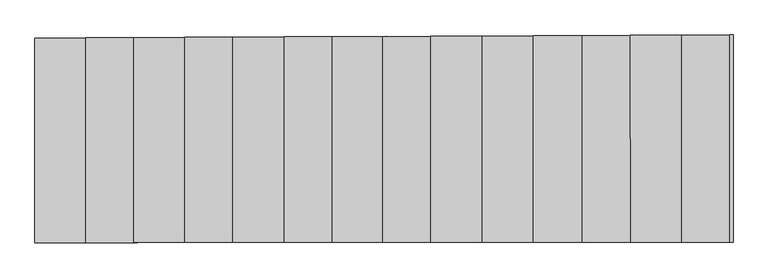
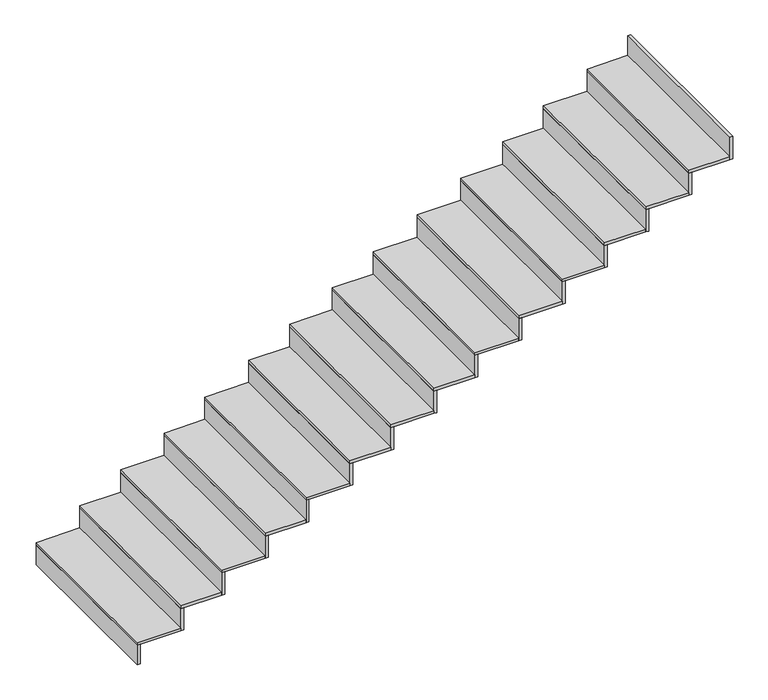
"""IFC4 building model written with IfcOpenShell, lengths in millimetres: stair flight geometry."""

from ifc_helpers import new_model, si_unit, frame, origin, place, context, project, spatial, polyline, outline, extrude, source, transform, mapped, element, save


def stair_flight_c5622b88(model_context):
    return source(origin(), model_context, "Body", "SweptSolid", [
        extrude(outline(polyline([(-5183.5370212, 644.2058226), (-5203.5370212, 644.1912211), (-5203.5370212, 1837.7119691), (-5183.5370212, 1837.8009765), (-5183.5370212, 644.2058226)])), frame((0.0, 0.0, -2406.5), z_axis=(0.0, 0.0, 1.0), x_axis=(1.0, 0.0, 0.0)), (0.0, 0.0, 1.0), 140.8530746),
        extrude(outline(polyline([(-4905.6411722, 1839.0377149), (-4905.6411722, 644.408708), (-5203.5370212, 644.1912211), (-5203.5370212, 1837.7119691), (-4905.6411722, 1839.0377149)])), frame((0.0, 0.0, -2265.6469254), z_axis=(0.0, 0.0, 1.0), x_axis=(1.0, 0.0, 0.0)), (0.0, 0.0, 1.0), 20.0),
        extrude(outline(polyline([(-4885.6411722, 644.4233095), (-4905.6411722, 644.408708), (-4905.6411722, 1839.0377149), (-4885.6411722, 1839.1267222), (-4885.6411722, 644.4233095)])), frame((0.0, 0.0, -2265.6469254), z_axis=(0.0, 0.0, 1.0), x_axis=(1.0, 0.0, 0.0)), (0.0, 0.0, 1.0), 160.8530746),
        extrude(outline(polyline([(-4625.6411722, 1840.2838175), (-4625.6411722, 644.6131296), (-4905.6411722, 644.408708), (-4905.6411722, 1839.0377149), (-4625.6411722, 1840.2838175)])), frame((0.0, 0.0, -2104.7938508), z_axis=(0.0, 0.0, 1.0), x_axis=(1.0, 0.0, 0.0)), (0.0, 0.0, 1.0), 20.0),
        extrude(outline(polyline([(-4605.6411722, 644.6277311), (-4625.6411722, 644.6131296), (-4625.6411722, 1840.2838175), (-4605.6411722, 1840.3728249), (-4605.6411722, 644.6277311)])), frame((0.0, 0.0, -2104.7938508), z_axis=(0.0, 0.0, 1.0), x_axis=(1.0, 0.0, 0.0)), (0.0, 0.0, 1.0), 160.8530746),
        extrude(outline(polyline([(-4328.6763658, 1841.6054198), (-4328.6763658, 644.8299368), (-4625.6411722, 644.6131296), (-4625.6411722, 1840.2838175), (-4328.6763658, 1841.6054198)])), frame((0.0, 0.0, -1943.9407762), z_axis=(0.0, 0.0, 1.0), x_axis=(1.0, 0.0, 0.0)), (0.0, 0.0, 1.0), 20.0),
        extrude(outline(polyline([(-4308.6763658, 644.8445383), (-4328.6763658, 644.8299368), (-4328.6763658, 1841.6054198), (-4308.6763658, 1841.6944271), (-4308.6763658, 644.8445383)])), frame((0.0, 0.0, -1943.9407762), z_axis=(0.0, 0.0, 1.0), x_axis=(1.0, 0.0, 0.0)), (0.0, 0.0, 1.0), 160.8530746),
        extrude(outline(polyline([(-4048.6763658, 1842.8515224), (-4048.6763658, 645.0343583), (-4328.6763658, 644.8299368), (-4328.6763658, 1841.6054198), (-4048.6763658, 1842.8515224)])), frame((0.0, 0.0, -1783.0877016), z_axis=(0.0, 0.0, 1.0), x_axis=(1.0, 0.0, 0.0)), (0.0, 0.0, 1.0), 20.0),
        extrude(outline(polyline([(-4028.6763658, 645.0489599), (-4048.6763658, 645.0343583), (-4048.6763658, 1842.8515224), (-4028.6763658, 1842.9405298), (-4028.6763658, 645.0489599)])), frame((0.0, 0.0, -1783.0877016), z_axis=(0.0, 0.0, 1.0), x_axis=(1.0, 0.0, 0.0)), (0.0, 0.0, 1.0), 160.8530746),
        extrude(outline(polyline([(-3748.6763658, 1844.1866324), (-3748.6763658, 645.2533814), (-4048.6763658, 645.0343583), (-4048.6763658, 1842.8515224), (-3748.6763658, 1844.1866324)])), frame((0.0, 0.0, -1622.234627), z_axis=(0.0, 0.0, 1.0), x_axis=(1.0, 0.0, 0.0)), (0.0, 0.0, 1.0), 20.0),
        extrude(outline(polyline([(-3728.6763658, 645.267983), (-3748.6763658, 645.2533814), (-3748.6763658, 1844.1866324), (-3728.6763658, 1844.2756398), (-3728.6763658, 645.267983)])), frame((0.0, 0.0, -1622.234627), z_axis=(0.0, 0.0, 1.0), x_axis=(1.0, 0.0, 0.0)), (0.0, 0.0, 1.0), 160.8530746),
        extrude(outline(polyline([(-3468.6763658, 1845.4327351), (-3468.6763658, 645.457803), (-3748.6763658, 645.2533814), (-3748.6763658, 1844.1866324), (-3468.6763658, 1845.4327351)])), frame((0.0, 0.0, -1461.3815524), z_axis=(0.0, 0.0, 1.0), x_axis=(1.0, 0.0, 0.0)), (0.0, 0.0, 1.0), 20.0),
        extrude(outline(polyline([(-3448.6763658, 645.4724045), (-3468.6763658, 645.457803), (-3468.6763658, 1845.4327351), (-3448.6763658, 1845.5217424), (-3448.6763658, 645.4724045)])), frame((0.0, 0.0, -1461.3815524), z_axis=(0.0, 0.0, 1.0), x_axis=(1.0, 0.0, 0.0)), (0.0, 0.0, 1.0), 160.8530746),
        extrude(outline(polyline([(-3174.3270749, 1846.7426973), (-3174.3270749, 645.6727007), (-3468.6763658, 645.457803), (-3468.6763658, 1845.4327351), (-3174.3270749, 1846.7426973)])), frame((0.0, 0.0, -1300.5284778), z_axis=(0.0, 0.0, 1.0), x_axis=(1.0, 0.0, 0.0)), (0.0, 0.0, 1.0), 20.0),
        extrude(outline(polyline([(-3154.3270749, 645.6873022), (-3174.3270749, 645.6727007), (-3174.3270749, 1846.7426973), (-3154.3270749, 1846.8317047), (-3154.3270749, 645.6873022)])), frame((0.0, 0.0, -1300.5284778), z_axis=(0.0, 0.0, 1.0), x_axis=(1.0, 0.0, 0.0)), (0.0, 0.0, 1.0), 160.8530746),
        extrude(outline(polyline([(-2894.3270749, 1847.9888), (-2894.3270749, 645.8771222), (-3174.3270749, 645.6727007), (-3174.3270749, 1846.7426973), (-2894.3270749, 1847.9888)])), frame((0.0, 0.0, -1139.6754032), z_axis=(0.0, 0.0, 1.0), x_axis=(1.0, 0.0, 0.0)), (0.0, 0.0, 1.0), 20.0),
        extrude(outline(polyline([(-2874.3270749, 645.8917238), (-2894.3270749, 645.8771222), (-2894.3270749, 1847.9888), (-2874.3270749, 1848.0778073), (-2874.3270749, 645.8917238)])), frame((0.0, 0.0, -1139.6754032), z_axis=(0.0, 0.0, 1.0), x_axis=(1.0, 0.0, 0.0)), (0.0, 0.0, 1.0), 160.8530746),
        extrude(outline(polyline([(-2594.3270749, 1849.32391), (-2594.3270749, 646.0961453), (-2894.3270749, 645.8771222), (-2894.3270749, 1847.9888), (-2594.3270749, 1849.32391)])), frame((0.0, 0.0, -978.8223286), z_axis=(0.0, 0.0, 1.0), x_axis=(1.0, 0.0, 0.0)), (0.0, 0.0, 1.0), 20.0),
        extrude(outline(polyline([(-2574.3270749, 646.1107469), (-2594.3270749, 646.0961453), (-2594.3270749, 1849.32391), (-2574.3270749, 1849.4129173), (-2574.3270749, 646.1107469)])), frame((0.0, 0.0, -978.8223286), z_axis=(0.0, 0.0, 1.0), x_axis=(1.0, 0.0, 0.0)), (0.0, 0.0, 1.0), 160.8530746),
        extrude(outline(polyline([(-2294.3270749, 1850.6590199), (-2294.3270749, 646.3151684), (-2594.3270749, 646.0961453), (-2594.3270749, 1849.32391), (-2294.3270749, 1850.6590199)])), frame((0.0, 0.0, -817.9692541), z_axis=(0.0, 0.0, 1.0), x_axis=(1.0, 0.0, 0.0)), (0.0, 0.0, 1.0), 20.0),
        extrude(outline(polyline([(-2274.3270749, 646.32977), (-2294.3270749, 646.3151684), (-2294.3270749, 1850.6590199), (-2274.3270749, 1850.7480273), (-2274.3270749, 646.32977)])), frame((0.0, 0.0, -817.9692541), z_axis=(0.0, 0.0, 1.0), x_axis=(1.0, 0.0, 0.0)), (0.0, 0.0, 1.0), 160.8530746),
        extrude(outline(polyline([(-2008.437645, 1851.9313327), (-2008.437645, 646.5238897), (-2294.3270749, 646.3151684), (-2294.3270749, 1850.6590199), (-2008.437645, 1851.9313327)])), frame((0.0, 0.0, -657.1161795), z_axis=(0.0, 0.0, 1.0), x_axis=(1.0, 0.0, 0.0)), (0.0, 0.0, 1.0), 20.0),
        extrude(outline(polyline([(-1988.437645, 646.5384913), (-2008.437645, 646.5238897), (-2008.437645, 1851.9313327), (-1988.437645, 1852.0203401), (-1988.437645, 646.5384913)])), frame((0.0, 0.0, -657.1161795), z_axis=(0.0, 0.0, 1.0), x_axis=(1.0, 0.0, 0.0)), (0.0, 0.0, 1.0), 160.8530746),
        extrude(outline(polyline([(-1729.0235865, 1853.1748277), (-1725.5200004, 646.7304414), (-2008.437645, 646.5238897), (-2008.437645, 1851.9313327), (-1729.0235865, 1853.1748277)])), frame((0.0, 0.0, -496.2631049), z_axis=(0.0, 0.0, 1.0), x_axis=(1.0, 0.0, 0.0)), (0.0, 0.0, 1.0), 20.0),
        extrude(outline(polyline([(-1705.5199584, 646.745043), (-1725.5200004, 646.7304414), (-1729.0235865, 1853.1748277), (-1709.0237606, 1853.2638343), (-1705.5199584, 646.745043)])), frame((0.0, 0.0, -496.2631049), z_axis=(0.0, 0.0, 1.0), x_axis=(1.0, 0.0, 0.0)), (0.0, 0.0, 1.0), 160.8530746),
        extrude(outline(polyline([(-1429.0627597, 1854.5097634), (-1429.0627597, 646.946878), (-1725.5200004, 646.7304414), (-1729.0235865, 1853.1748277), (-1429.0627597, 1854.5097634)])), frame((0.0, 0.0, -335.4100303), z_axis=(0.0, 0.0, 1.0), x_axis=(1.0, 0.0, 0.0)), (0.0, 0.0, 1.0), 20.0),
        extrude(outline(polyline([(-1409.0627597, 646.9614796), (-1429.0627597, 646.946878), (-1429.0627597, 1854.5097634), (-1409.0627597, 1854.5987707), (-1409.0627597, 646.9614796)])), frame((0.0, 0.0, -335.4100303), z_axis=(0.0, 0.0, 1.0), x_axis=(1.0, 0.0, 0.0)), (0.0, 0.0, 1.0), 160.8530746),
        extrude(outline(polyline([(-1129.0627597, 647.1659012), (-1149.0627597, 647.1512996), (-1149.0627597, 1855.755866), (-1129.0627597, 1855.8448733), (-1129.0627597, 647.1659012)])), frame((0.0, 0.0, -174.5569557), z_axis=(0.0, 0.0, 1.0), x_axis=(1.0, 0.0, 0.0)), (0.0, 0.0, 1.0), 160.8530746),
        extrude(outline(polyline([(-1149.0627597, 1855.755866), (-1149.0627597, 647.1512996), (-1429.0627597, 646.946878), (-1429.0627597, 1854.5097634), (-1149.0627597, 1855.755866)])), frame((0.0, 0.0, -174.5569557), z_axis=(0.0, 0.0, 1.0), x_axis=(1.0, 0.0, 0.0)), (0.0, 0.0, 1.0), 20.0),
    ])


if __name__ == "__main__":
    model = new_model("IFC4")
    model_context = context("Model", 3, world=origin())
    ifc_project = project(units=[si_unit("LENGTHUNIT", "METRE", prefix="MILLI")], contexts=[model_context])
    site = spatial("IfcSite", under=ifc_project)
    building = spatial("IfcBuilding", under=site)
    placement = place(None, origin())
    stair_flight_shape = stair_flight_c5622b88(model_context)
    element("IfcStairFlight", 1, at=placement, inside=building, context=model_context, shape_type="MappedRepresentation", body=[
        mapped(stair_flight_shape, transform((0.0, 0.0, 0.0), x_axis=(1.0, 0.0, 0.0), y_axis=(0.0, 1.0, 0.0), z_axis=(0.0, 0.0, 1.0))),
    ])
    save(model, "model.ifc")
